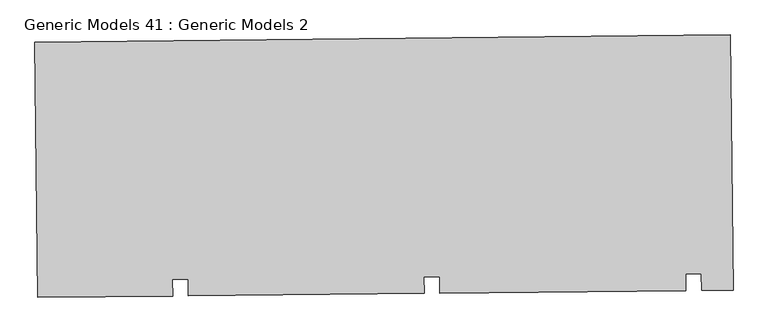
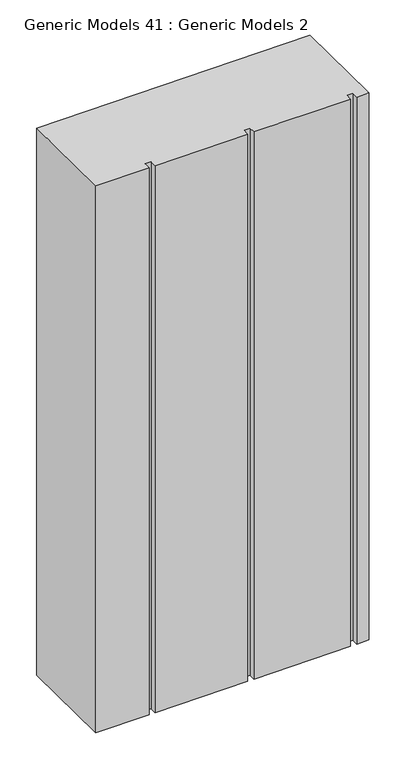
"""IFC4 building model written with IfcOpenShell, lengths in millimetres: proxy geometry, Generic Models 41 : Generic Models 2."""

import ifcopenshell
import ifcopenshell.guid

model = None  # the IFC model being written
_history = None  # IfcOwnerHistory: only IFC2X3 demands one
_inside = {}  # id of a spatial element -> (the spatial element, [elements in it])
_under = {}  # id of a project, library or spatial element -> (it, [spatial elements below it])
_declared = {}  # id of a project -> (the project, [libraries it declares])
_typed = {}  # id of a type object -> (the type object, [elements of that type])
_made_of = {}  # id of a material, layer set ... -> (it, [elements and type objects made of it])


def new_model(schema):
    """Start an empty IFC model of exactly this schema.

    Asked for "IFC4X3", IfcOpenShell would pick the latest addendum, in which some entities
    have other attributes; the version numbers below select the first issue.
    IFC2X3 requires an IfcOwnerHistory on every rooted entity: one is made here for all.
    """
    global model, _history
    if schema == "IFC4X3":
        model = ifcopenshell.file(schema_version=(4, 3, 0, 0))
    else:
        model = ifcopenshell.file(schema=schema)
    _inside.clear()
    _under.clear()
    _declared.clear()
    _typed.clear()
    _made_of.clear()
    _history = None
    if model.schema == "IFC2X3":
        org = make("IfcOrganization", Name="unknown")
        user = make(
            "IfcPersonAndOrganization",
            ThePerson=make("IfcPerson", FamilyName="unknown"),
            TheOrganization=org,
        )
        app = make(
            "IfcApplication",
            ApplicationDeveloper=org,
            Version="unknown",
            ApplicationFullName="unknown",
            ApplicationIdentifier="unknown",
        )
        _history = make(
            "IfcOwnerHistory",
            OwningUser=user,
            OwningApplication=app,
            ChangeAction="ADDED",
            CreationDate=0,
        )
    return model


def make(cls, **values):
    """One entity of the class cls with the attributes given. An attribute that is None is left unset."""
    return model.create_entity(
        cls, **{name: value for name, value in values.items() if value is not None}
    )


def rooted(cls, **values):
    """An entity with a GlobalId (a new one), such as an element, a storey or a relation."""
    return make(cls, GlobalId=ifcopenshell.guid.new(), OwnerHistory=_history, **values)


def si_unit(unit_type, name, prefix=None):
    """IfcSIUnit, for example si_unit("LENGTHUNIT", "METRE", prefix="MILLI")."""
    return make("IfcSIUnit", UnitType=unit_type, Prefix=prefix, Name=name)


def assignment(units):
    """IfcUnitAssignment: the units of a project."""
    return None if units is None else make("IfcUnitAssignment", Units=units)


def point(xyz):
    """IfcCartesianPoint."""
    return None if xyz is None else make("IfcCartesianPoint", Coordinates=xyz)


def direction(xyz):
    """IfcDirection."""
    return None if xyz is None else make("IfcDirection", DirectionRatios=xyz)


def frame(location, z_axis=None, x_axis=None):
    """IfcAxis2Placement3D, a coordinate frame: its origin and axes. An axis left out is left unset."""
    return make(
        "IfcAxis2Placement3D",
        Location=point(location),
        Axis=direction(z_axis),
        RefDirection=direction(x_axis),
    )


def origin():
    """The frame at (0, 0, 0) with its axes left unset."""
    return frame((0.0, 0.0, 0.0))


def place(relative_to, where):
    """IfcLocalPlacement: puts the frame where relative to a parent placement (None: the world)."""
    return make(
        "IfcLocalPlacement", PlacementRelTo=relative_to, RelativePlacement=where
    )


def context(
    kind, dimensions, precision=None, world=None, true_north=None, identifier=None
):
    """IfcGeometricRepresentationContext, for example the 3D "Model" context."""
    return make(
        "IfcGeometricRepresentationContext",
        ContextIdentifier=identifier,
        ContextType=kind,
        CoordinateSpaceDimension=dimensions,
        Precision=precision,
        WorldCoordinateSystem=world,
        TrueNorth=true_north,
    )


def project(units=None, contexts=None):
    """IfcProject with its units and contexts."""
    return rooted(
        "IfcProject",
        Name="project",
        RepresentationContexts=contexts,
        UnitsInContext=assignment(units),
    )


def spatial(cls, under=None, at=None, **own):
    """A site, building, storey or space (cls), placed at a placement, below another one or the project."""
    s = rooted(cls, ObjectPlacement=at, **own)
    if under is not None:
        _under.setdefault(under.id(), (under, []))[1].append(s)
    return s


def polyline(points):
    """IfcPolyline through the points."""
    return make("IfcPolyline", Points=[point(p) for p in points])


def outline(outer, holes=None, kind="AREA"):
    """IfcArbitraryClosedProfileDef: a profile drawn as a closed curve; with holes, ...WithVoids."""
    if holes is None:
        return make("IfcArbitraryClosedProfileDef", ProfileType=kind, OuterCurve=outer)
    return make(
        "IfcArbitraryProfileDefWithVoids",
        ProfileType=kind,
        OuterCurve=outer,
        InnerCurves=holes,
    )


def extrude(swept, where, along, depth):
    """IfcExtrudedAreaSolid: the profile swept, set in the frame where, extruded along a direction by depth."""
    return make(
        "IfcExtrudedAreaSolid",
        SweptArea=swept,
        Position=where,
        ExtrudedDirection=direction(along),
        Depth=depth,
    )


def shape(context_of_items, identifier, shape_type, items):
    """IfcShapeRepresentation: the items that make up one representation, for example the "Body"."""
    return make(
        "IfcShapeRepresentation",
        ContextOfItems=context_of_items,
        RepresentationIdentifier=identifier,
        RepresentationType=shape_type,
        Items=items,
    )


def source(mapping_origin, context_of_items, identifier, shape_type, items):
    """IfcRepresentationMap: a shape defined once, which mapped items show again and again."""
    return make(
        "IfcRepresentationMap",
        MappingOrigin=mapping_origin,
        MappedRepresentation=shape(context_of_items, identifier, shape_type, items),
    )


def transform(
    local_origin,
    x_axis=None,
    y_axis=None,
    z_axis=None,
    scale=None,
    scale2=None,
    scale3=None,
    uniform=True,
):
    """IfcCartesianTransformationOperator3D, or its non-uniform kind. x_axis, y_axis, z_axis: its Axis1, 2, 3."""
    if uniform:
        return make(
            "IfcCartesianTransformationOperator3D",
            Axis1=direction(x_axis),
            Axis2=direction(y_axis),
            LocalOrigin=point(local_origin),
            Scale=scale,
            Axis3=direction(z_axis),
        )
    return make(
        "IfcCartesianTransformationOperator3DnonUniform",
        Axis1=direction(x_axis),
        Axis2=direction(y_axis),
        LocalOrigin=point(local_origin),
        Scale=scale,
        Axis3=direction(z_axis),
        Scale2=scale2,
        Scale3=scale3,
    )


def mapped(mapping_source, mapping_target):
    """IfcMappedItem: shows the shape of a source again, moved by a transform."""
    return make(
        "IfcMappedItem", MappingSource=mapping_source, MappingTarget=mapping_target
    )


def made_of(thing, what):
    """Note that an element or type object is made of a material, layer set ...; save() writes the relation."""
    if what is not None:
        _made_of.setdefault(what.id(), (what, []))[1].append(thing)
    return thing


def element(
    cls,
    number,
    at=None,
    inside=None,
    cuts=None,
    type_object=None,
    material=None,
    context=None,
    identifier="Body",
    shape_type=None,
    held_by="IfcProductDefinitionShape",
    body=None,
    shapes=None,
    **own,
):
    """One element of the class cls, such as IfcWall. Its Tag is "e" and its number.

    at: its placement. inside: the storey or other place that contains it. cuts: it is an
    opening in that element (IfcRelVoidsElement). A single representation is given by context,
    identifier, shape_type and body (its items); several are given by shapes. held_by: the class
    of the entity that holds the representations. save() writes the other relations.
    """
    e = rooted(cls, Tag="e%d" % number, ObjectPlacement=at, **own)
    if body is not None:
        shapes = [shape(context, identifier, shape_type, body)]
    if shapes is not None:
        e.Representation = make(held_by, Representations=shapes)
    if inside is not None:
        _inside.setdefault(inside.id(), (inside, []))[1].append(e)
    if cuts is not None:
        rooted(
            "IfcRelVoidsElement", RelatingBuildingElement=cuts, RelatedOpeningElement=e
        )
    if type_object is not None:
        _typed.setdefault(type_object.id(), (type_object, []))[1].append(e)
    return made_of(e, material)


def aggregate(whole, parts):
    """IfcRelAggregates: a whole, such as a stair, and the parts it consists of."""
    return rooted("IfcRelAggregates", RelatingObject=whole, RelatedObjects=parts)


def save(model, path):
    """Write the relations noted so far, then the file.

    IfcRelAggregates (storeys below a building ...), IfcRelContainedInSpatialStructure (elements
    in a storey), IfcRelDefinesByType, IfcRelAssociatesMaterial and IfcRelDeclares: one each for
    every whole, place, type object, material and project.
    """
    for whole, parts in _under.values():
        aggregate(whole, parts)
    for where, things in _inside.values():
        rooted(
            "IfcRelContainedInSpatialStructure",
            RelatedElements=things,
            RelatingStructure=where,
        )
    for kind, things in _typed.values():
        rooted("IfcRelDefinesByType", RelatedObjects=things, RelatingType=kind)
    for what, things in _made_of.values():
        rooted("IfcRelAssociatesMaterial", RelatedObjects=things, RelatingMaterial=what)
    for by, libraries in _declared.values():
        rooted("IfcRelDeclares", RelatingContext=by, RelatedDefinitions=libraries)
    model.write(path)


def generic_models_41_generic_models_2_4573cafa(model_context):
    return source(origin(), model_context, "Body", "SweptSolid", [
        extrude(outline(polyline([(3429.7502709, -15780.4480251), (3434.9594993, -16267.4623814), (3374.9629313, -16268.1041198), (3374.6244945, -16236.4634292), (3344.5927796, -16236.784656), (3344.9312164, -16268.4253466), (2874.9915313, -16273.4519401), (2874.6530945, -16241.8112494), (2844.6213796, -16242.1324762), (2844.9598164, -16273.7731669), (2395.0189873, -16278.5858475), (2394.6805505, -16246.9451568), (2364.6488356, -16247.2663836), (2364.9872724, -16278.9070743), (2107.4468164, -16281.661792), (2102.237588, -15794.6474357), (3429.7502709, -15780.4480251)])), frame((0.0, 0.0, 15000.0), z_axis=(0.0, 0.0, 1.0), x_axis=(1.0, 0.0, 0.0)), (0.0, 0.0, 1.0), 2790.419714),
    ])


if __name__ == "__main__":
    model = new_model("IFC4")
    model_context = context("Model", 3, world=origin())
    ifc_project = project(units=[si_unit("LENGTHUNIT", "METRE", prefix="MILLI")], contexts=[model_context])
    site = spatial("IfcSite", under=ifc_project)
    building = spatial("IfcBuilding", under=site)
    placement = place(None, origin())
    generic_models_41_generic_models_2_shape = generic_models_41_generic_models_2_4573cafa(model_context)
    element("IfcBuildingElementProxy", 1, Name="Generic Models 41 : Generic Models 2", ObjectType="Generic Models 41 : Generic Models 2", at=placement, inside=building, context=model_context, shape_type="MappedRepresentation", body=[
        mapped(generic_models_41_generic_models_2_shape, transform((0.0, 0.0, 0.0), x_axis=(1.0, 0.0, 0.0), y_axis=(0.0, 1.0, 0.0), z_axis=(0.0, 0.0, 1.0))),
    ])
    save(model, "model.ifc")
